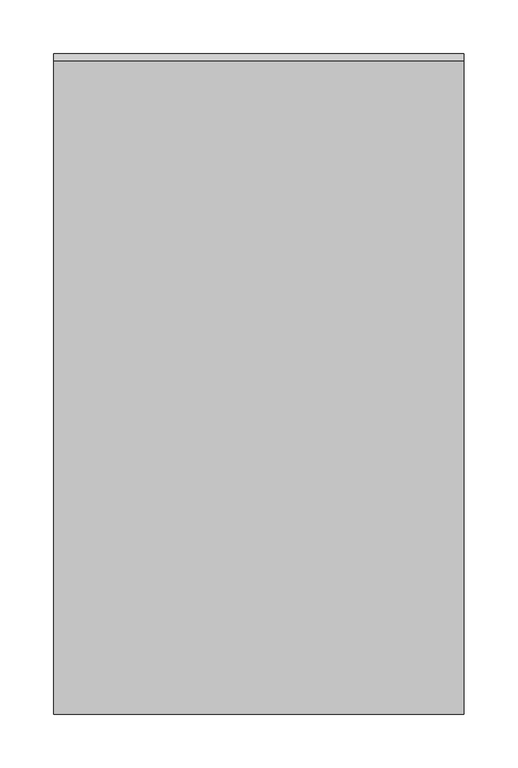
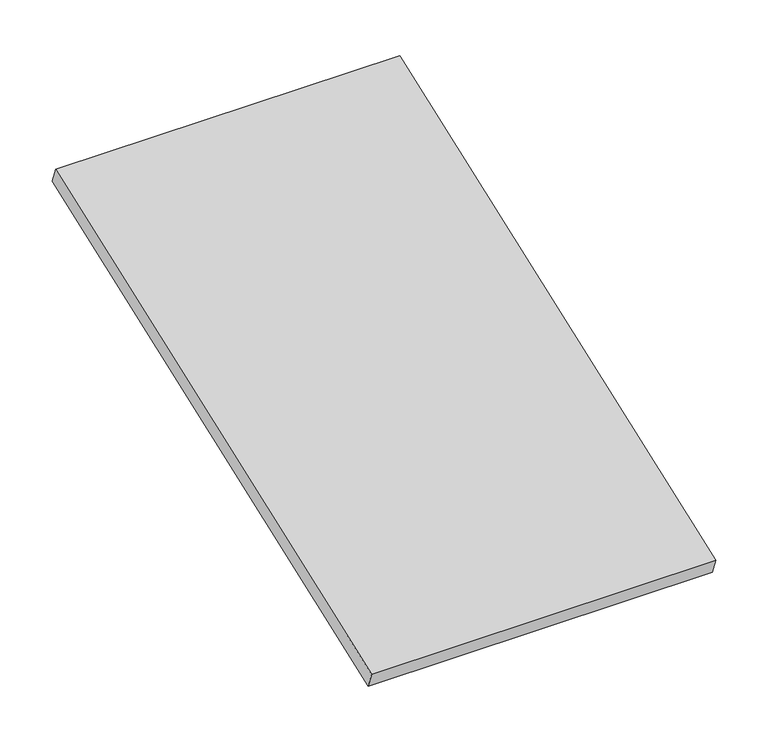
"""IFC4 building model written with IfcOpenShell, lengths in millimetres: furniture geometry."""

from ifc_helpers import new_model, si_unit, frame, origin, place, context, project, spatial, polyline, outline, extrude, source, transform, mapped, element, save


def furniture_77dc5a48(model_context):
    return source(origin(), model_context, "Body", "SweptSolid", [
        extrude(outline(polyline([(-606.4250121, 3369.935877), (-612.9853979, 3387.766495), (-6.5603897, 3610.8874573), (0.0, 3593.0568407), (-606.4250121, 3369.935877)])), frame((0.0, 0.0, 0.0), z_axis=(1.0, 0.0, 0.0), x_axis=(0.0, 1.0, 0.0)), (0.0, 0.0, 1.0), 381.0),
    ])


if __name__ == "__main__":
    model = new_model("IFC4")
    model_context = context("Model", 3, world=origin())
    ifc_project = project(units=[si_unit("LENGTHUNIT", "METRE", prefix="MILLI")], contexts=[model_context])
    site = spatial("IfcSite", under=ifc_project)
    building = spatial("IfcBuilding", under=site)
    placement = place(None, origin())
    furniture_shape = furniture_77dc5a48(model_context)
    element("IfcFurniture", 1, at=placement, inside=building, context=model_context, shape_type="MappedRepresentation", body=[
        mapped(furniture_shape, transform((0.0, 0.0, 0.0), x_axis=(1.0, 0.0, 0.0), y_axis=(0.0, 1.0, 0.0), z_axis=(0.0, 0.0, 1.0))),
    ])
    save(model, "model.ifc")
